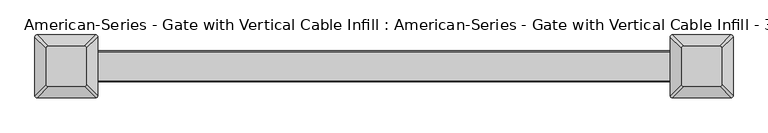
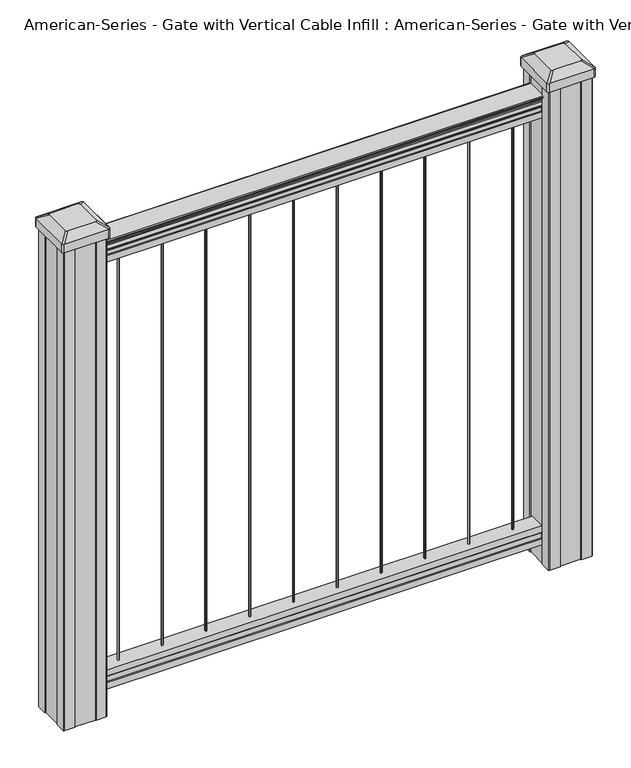
"""IFC4 building model written with IfcOpenShell, lengths in millimetres: proxy geometry."""

from ifc_helpers import new_model, si_unit, point, frame, frame_2d, origin, place, context, project, spatial, polyline, circle_curve, trimmed, segment, composite_curve, outline, extrude, source, transform, mapped, element, save
from ifc_brep_helpers import plane_surface, extruded_surface, advanced_brep


def proxy_3df3838f(model_context):
    return source(origin(), model_context, "Body", "SolidModel", [
        extrude(outline(composite_curve([segment(trimmed(circle_curve(frame_2d((288.925, 0.0)), 1.5875), [point((288.925, 1.5875))], [point((290.5125, 0.0))], False, "CARTESIAN"), True, "CONTINUOUS"), segment(trimmed(circle_curve(frame_2d((288.925, 0.0)), 1.5875), [point((290.5125, 0.0))], [point((288.925, -1.5875))], False, "CARTESIAN"), True, "CONTINUOUS"), segment(trimmed(circle_curve(frame_2d((288.925, 0.0)), 1.5875), [point((288.925, -1.5875))], [point((287.3375, 0.0))], False, "CARTESIAN"), True, "CONTINUOUS"), segment(trimmed(circle_curve(frame_2d((288.925, 0.0)), 1.5875), [point((287.3375, 0.0))], [point((288.925, 1.5875))], False, "CARTESIAN"), True, "CONTINUOUS")], self_intersect=False)), frame((0.0, 0.0, 101.6), z_axis=(0.0, 0.0, 1.0), x_axis=(1.0, 0.0, 0.0)), (0.0, 0.0, 1.0), 812.8),
        extrude(outline(composite_curve([segment(trimmed(circle_curve(frame_2d((206.375, 0.0)), 1.5875), [point((206.375, 1.5875))], [point((207.9625, 0.0))], False, "CARTESIAN"), True, "CONTINUOUS"), segment(trimmed(circle_curve(frame_2d((206.375, 0.0)), 1.5875), [point((207.9625, 0.0))], [point((206.375, -1.5875))], False, "CARTESIAN"), True, "CONTINUOUS"), segment(trimmed(circle_curve(frame_2d((206.375, 0.0)), 1.5875), [point((206.375, -1.5875))], [point((204.7875, 0.0))], False, "CARTESIAN"), True, "CONTINUOUS"), segment(trimmed(circle_curve(frame_2d((206.375, 0.0)), 1.5875), [point((204.7875, 0.0))], [point((206.375, 1.5875))], False, "CARTESIAN"), True, "CONTINUOUS")], self_intersect=False)), frame((0.0, 0.0, 101.6), z_axis=(0.0, 0.0, 1.0), x_axis=(1.0, 0.0, 0.0)), (0.0, 0.0, 1.0), 812.8),
        extrude(outline(composite_curve([segment(trimmed(circle_curve(frame_2d((123.825, 0.0)), 1.5875), [point((123.825, 1.5875))], [point((125.4125, 0.0))], False, "CARTESIAN"), True, "CONTINUOUS"), segment(trimmed(circle_curve(frame_2d((123.825, 0.0)), 1.5875), [point((125.4125, 0.0))], [point((123.825, -1.5875))], False, "CARTESIAN"), True, "CONTINUOUS"), segment(trimmed(circle_curve(frame_2d((123.825, 0.0)), 1.5875), [point((123.825, -1.5875))], [point((122.2375, 0.0))], False, "CARTESIAN"), True, "CONTINUOUS"), segment(trimmed(circle_curve(frame_2d((123.825, 0.0)), 1.5875), [point((122.2375, 0.0))], [point((123.825, 1.5875))], False, "CARTESIAN"), True, "CONTINUOUS")], self_intersect=False)), frame((0.0, 0.0, 101.6), z_axis=(0.0, 0.0, 1.0), x_axis=(1.0, 0.0, 0.0)), (0.0, 0.0, 1.0), 812.8),
        extrude(outline(composite_curve([segment(trimmed(circle_curve(frame_2d((41.275, 0.0)), 1.5875), [point((41.275, 1.5875))], [point((42.8625, 0.0))], False, "CARTESIAN"), True, "CONTINUOUS"), segment(trimmed(circle_curve(frame_2d((41.275, 0.0)), 1.5875), [point((42.8625, 0.0))], [point((41.275, -1.5875))], False, "CARTESIAN"), True, "CONTINUOUS"), segment(trimmed(circle_curve(frame_2d((41.275, 0.0)), 1.5875), [point((41.275, -1.5875))], [point((39.6875, 0.0))], False, "CARTESIAN"), True, "CONTINUOUS"), segment(trimmed(circle_curve(frame_2d((41.275, 0.0)), 1.5875), [point((39.6875, 0.0))], [point((41.275, 1.5875))], False, "CARTESIAN"), True, "CONTINUOUS")], self_intersect=False)), frame((0.0, 0.0, 101.6), z_axis=(0.0, 0.0, 1.0), x_axis=(1.0, 0.0, 0.0)), (0.0, 0.0, 1.0), 812.8),
        extrude(outline(composite_curve([segment(trimmed(circle_curve(frame_2d((-41.275, 0.0)), 1.5875), [point((-41.275, 1.5875))], [point((-39.6875, 0.0))], False, "CARTESIAN"), True, "CONTINUOUS"), segment(trimmed(circle_curve(frame_2d((-41.275, 0.0)), 1.5875), [point((-39.6875, 0.0))], [point((-41.275, -1.5875))], False, "CARTESIAN"), True, "CONTINUOUS"), segment(trimmed(circle_curve(frame_2d((-41.275, 0.0)), 1.5875), [point((-41.275, -1.5875))], [point((-42.8625, 0.0))], False, "CARTESIAN"), True, "CONTINUOUS"), segment(trimmed(circle_curve(frame_2d((-41.275, 0.0)), 1.5875), [point((-42.8625, 0.0))], [point((-41.275, 1.5875))], False, "CARTESIAN"), True, "CONTINUOUS")], self_intersect=False)), frame((0.0, 0.0, 101.6), z_axis=(0.0, 0.0, 1.0), x_axis=(1.0, 0.0, 0.0)), (0.0, 0.0, 1.0), 812.8),
        extrude(outline(composite_curve([segment(trimmed(circle_curve(frame_2d((-123.825, 0.0)), 1.5875), [point((-123.825, 1.5875))], [point((-122.2375, 0.0))], False, "CARTESIAN"), True, "CONTINUOUS"), segment(trimmed(circle_curve(frame_2d((-123.825, 0.0)), 1.5875), [point((-122.2375, 0.0))], [point((-123.825, -1.5875))], False, "CARTESIAN"), True, "CONTINUOUS"), segment(trimmed(circle_curve(frame_2d((-123.825, 0.0)), 1.5875), [point((-123.825, -1.5875))], [point((-125.4125, 0.0))], False, "CARTESIAN"), True, "CONTINUOUS"), segment(trimmed(circle_curve(frame_2d((-123.825, 0.0)), 1.5875), [point((-125.4125, 0.0))], [point((-123.825, 1.5875))], False, "CARTESIAN"), True, "CONTINUOUS")], self_intersect=False)), frame((0.0, 0.0, 101.6), z_axis=(0.0, 0.0, 1.0), x_axis=(1.0, 0.0, 0.0)), (0.0, 0.0, 1.0), 812.8),
        extrude(outline(composite_curve([segment(trimmed(circle_curve(frame_2d((-206.375, 0.0)), 1.5875), [point((-206.375, 1.5875))], [point((-204.7875, 0.0))], False, "CARTESIAN"), True, "CONTINUOUS"), segment(trimmed(circle_curve(frame_2d((-206.375, 0.0)), 1.5875), [point((-204.7875, 0.0))], [point((-206.375, -1.5875))], False, "CARTESIAN"), True, "CONTINUOUS"), segment(trimmed(circle_curve(frame_2d((-206.375, 0.0)), 1.5875), [point((-206.375, -1.5875))], [point((-207.9625, 0.0))], False, "CARTESIAN"), True, "CONTINUOUS"), segment(trimmed(circle_curve(frame_2d((-206.375, 0.0)), 1.5875), [point((-207.9625, 0.0))], [point((-206.375, 1.5875))], False, "CARTESIAN"), True, "CONTINUOUS")], self_intersect=False)), frame((0.0, 0.0, 101.6), z_axis=(0.0, 0.0, 1.0), x_axis=(1.0, 0.0, 0.0)), (0.0, 0.0, 1.0), 812.8),
        extrude(outline(composite_curve([segment(trimmed(circle_curve(frame_2d((-288.925, 0.0)), 1.5875), [point((-288.925, 1.5875))], [point((-287.3375, 0.0))], False, "CARTESIAN"), True, "CONTINUOUS"), segment(trimmed(circle_curve(frame_2d((-288.925, 0.0)), 1.5875), [point((-287.3375, 0.0))], [point((-288.925, -1.5875))], False, "CARTESIAN"), True, "CONTINUOUS"), segment(trimmed(circle_curve(frame_2d((-288.925, 0.0)), 1.5875), [point((-288.925, -1.5875))], [point((-290.5125, 0.0))], False, "CARTESIAN"), True, "CONTINUOUS"), segment(trimmed(circle_curve(frame_2d((-288.925, 0.0)), 1.5875), [point((-290.5125, 0.0))], [point((-288.925, 1.5875))], False, "CARTESIAN"), True, "CONTINUOUS")], self_intersect=False)), frame((0.0, 0.0, 101.6), z_axis=(0.0, 0.0, 1.0), x_axis=(1.0, 0.0, 0.0)), (0.0, 0.0, 1.0), 812.8),
        extrude(outline(composite_curve([segment(trimmed(circle_curve(frame_2d((371.475, 0.0)), 1.5875), [point((371.475, 1.5875))], [point((373.0625, 0.0))], False, "CARTESIAN"), True, "CONTINUOUS"), segment(trimmed(circle_curve(frame_2d((371.475, 0.0)), 1.5875), [point((373.0625, 0.0))], [point((371.475, -1.5875))], False, "CARTESIAN"), True, "CONTINUOUS"), segment(trimmed(circle_curve(frame_2d((371.475, 0.0)), 1.5875), [point((371.475, -1.5875))], [point((369.8875, 0.0))], False, "CARTESIAN"), True, "CONTINUOUS"), segment(trimmed(circle_curve(frame_2d((371.475, 0.0)), 1.5875), [point((369.8875, 0.0))], [point((371.475, 1.5875))], False, "CARTESIAN"), True, "CONTINUOUS")], self_intersect=False)), frame((0.0, 0.0, 101.6), z_axis=(0.0, 0.0, 1.0), x_axis=(1.0, 0.0, 0.0)), (0.0, 0.0, 1.0), 812.8),
        extrude(outline(composite_curve([segment(trimmed(circle_curve(frame_2d((-371.475, 0.0)), 1.5875), [point((-371.475, 1.5875))], [point((-369.8875, 0.0))], False, "CARTESIAN"), True, "CONTINUOUS"), segment(trimmed(circle_curve(frame_2d((-371.475, 0.0)), 1.5875), [point((-369.8875, 0.0))], [point((-371.475, -1.5875))], False, "CARTESIAN"), True, "CONTINUOUS"), segment(trimmed(circle_curve(frame_2d((-371.475, 0.0)), 1.5875), [point((-371.475, -1.5875))], [point((-373.0625, 0.0))], False, "CARTESIAN"), True, "CONTINUOUS"), segment(trimmed(circle_curve(frame_2d((-371.475, 0.0)), 1.5875), [point((-373.0625, 0.0))], [point((-371.475, 1.5875))], False, "CARTESIAN"), True, "CONTINUOUS")], self_intersect=False)), frame((0.0, 0.0, 101.6), z_axis=(0.0, 0.0, 1.0), x_axis=(1.0, 0.0, 0.0)), (0.0, 0.0, 1.0), 812.8),
        extrude(outline(composite_curve([segment(polyline([(938.4043297, 17.4328287), (940.292412, 17.4328287)]), True, "CONTINUOUS"), segment(trimmed(circle_curve(frame_2d((946.0506383, 11.1180755)), 8.545951), [point((940.292412, 17.4328287))], [point((941.8546695, 18.563015))], False, "CARTESIAN"), True, "CONTINUOUS"), segment(trimmed(circle_curve(frame_2d((945.4636577, 11.5551384)), 7.882584), [point((941.8546695, 18.563015))], [point((949.0726458, 18.563015))], False, "CARTESIAN"), True, "CONTINUOUS"), segment(trimmed(circle_curve(frame_2d((951.3112527, 22.0684625)), 4.1592695), [point((949.0726458, 18.563015))], [point((951.5060812, 17.9137586))], True, "CARTESIAN"), True, "CONTINUOUS"), segment(trimmed(circle_curve(frame_2d((951.2508864, 23.3557691)), 5.4479907), [point((951.5060812, 17.9137586))], [point((955.8362083, 20.4137586))], True, "CARTESIAN"), True, "CONTINUOUS"), segment(trimmed(circle_curve(frame_2d((955.833395, 22.1226107)), 1.7088543), [point((955.8362083, 20.4137586))], [point((957.5157972, 21.8231011))], True, "CARTESIAN"), True, "CONTINUOUS"), segment(trimmed(circle_curve(frame_2d((958.6205318, 20.5057106)), 1.7192895), [point((957.5157972, 21.8231011))], [point((958.6205318, 22.2250001))], False, "CARTESIAN"), True, "CONTINUOUS"), segment(polyline([(958.6205318, 22.2250001), (959.9608158, 22.225)]), True, "CONTINUOUS"), segment(trimmed(circle_curve(frame_2d((959.9608158, 20.6715528)), 1.5534472), [point((959.9608158, 22.225))], [point((961.514263, 20.6715528))], False, "CARTESIAN"), True, "CONTINUOUS"), segment(polyline([(961.514263, 20.6715528), (961.514263, -20.6715528)]), True, "CONTINUOUS"), segment(trimmed(circle_curve(frame_2d((959.9608158, -20.6715528)), 1.5534472), [point((961.514263, -20.6715528))], [point((959.9608158, -22.225))], False, "CARTESIAN"), True, "CONTINUOUS"), segment(polyline([(959.9608158, -22.225), (958.6205318, -22.225)]), True, "CONTINUOUS"), segment(trimmed(circle_curve(frame_2d((958.6205318, -20.5057106)), 1.7192895), [point((958.6205318, -22.225))], [point((957.5157972, -21.8231011))], False, "CARTESIAN"), True, "CONTINUOUS"), segment(trimmed(circle_curve(frame_2d((955.833395, -22.1226107)), 1.7088543), [point((957.5157972, -21.8231011))], [point((955.8362083, -20.4137586))], True, "CARTESIAN"), True, "CONTINUOUS"), segment(trimmed(circle_curve(frame_2d((951.2508864, -23.3557691)), 5.4479907), [point((955.8362083, -20.4137586))], [point((951.5060812, -17.9137586))], True, "CARTESIAN"), True, "CONTINUOUS"), segment(trimmed(circle_curve(frame_2d((951.3112527, -22.0684625)), 4.1592695), [point((951.5060812, -17.9137586))], [point((949.0726458, -18.563015))], True, "CARTESIAN"), True, "CONTINUOUS"), segment(trimmed(circle_curve(frame_2d((945.4636577, -11.5551384)), 7.882584), [point((949.0726458, -18.563015))], [point((941.8546695, -18.563015))], False, "CARTESIAN"), True, "CONTINUOUS"), segment(trimmed(circle_curve(frame_2d((946.0506383, -11.1180755)), 8.545951), [point((941.8546695, -18.563015))], [point((940.292412, -17.4328287))], False, "CARTESIAN"), True, "CONTINUOUS"), segment(polyline([(940.292412, -17.4328287), (938.4043297, -17.4328287)]), True, "CONTINUOUS"), segment(trimmed(circle_curve(frame_2d((938.4043297, -16.1459144)), 1.2869144), [point((938.4043297, -17.4328287))], [point((938.4043297, -14.859))], False, "CARTESIAN"), True, "CONTINUOUS"), segment(polyline([(938.4043297, -14.859), (927.9048283, -14.859), (926.8888283, -15.875), (914.4, -15.875), (914.4, 15.875), (926.731013, 15.875), (927.747013, 14.859), (938.4043297, 14.859)]), True, "CONTINUOUS"), segment(trimmed(circle_curve(frame_2d((938.4043297, 16.1459144)), 1.2869144), [point((938.4043297, 14.859))], [point((938.4043297, 17.4328287))], False, "CARTESIAN"), True, "CONTINUOUS")], self_intersect=False)), frame((457.2, 0.0, 0.0), z_axis=(-1.0, 0.0, 0.0), x_axis=(0.0, 0.0, 1.0)), (0.0, 0.0, 1.0), 914.4),
        extrude(outline(polyline([(-15.9124869, 76.0541976), (-14.8964869, 77.3546183), (-14.8964869, 87.7141717), (-15.9124869, 89.0624492), (-15.9124869, 101.5958781), (15.8375131, 101.5958781), (15.8375131, 89.0458024), (14.8215131, 87.6975248), (14.8215131, 77.3858283), (15.8375131, 76.0375508), (15.8375131, 63.5), (-15.9124869, 63.5), (-15.9124869, 76.0541976)])), frame((-457.2, 0.0, 0.0), z_axis=(1.0, 0.0, 0.0), x_axis=(0.0, 1.0, 0.0)), (0.0, 0.0, 1.0), 914.4),
        advanced_brep(
        [(431.403125, 28.971875, 1012.825), (428.228125, 25.796875, 1012.825), (428.228125, -25.796875, 1012.825), (431.403125, -28.971875, 1012.825), (482.996875, -28.971875, 1012.825), (486.171875, -25.796875, 1012.825), (486.171875, 25.796875, 1012.825), (482.996875, 28.971875, 1012.825), (415.13125, 45.24375, 1001.522), (499.26875, 45.24375, 1001.522), (502.44375, 42.06875, 1001.522), (502.44375, -42.06875, 1001.522), (499.26875, -45.24375, 1001.522), (415.13125, -45.24375, 1001.522), (411.95625, -42.06875, 1001.522), (411.95625, 42.06875, 1001.522)],
        [
            (0, 1, circle_curve(frame((431.403125, 25.796875, 1012.825), z_axis=(0.0, 0.0, 1.0), x_axis=(0.0, -1.0, 0.0)), 3.175)),
            (1, 2),
            (2, 3, circle_curve(frame((431.403125, -25.796875, 1012.825), z_axis=(0.0, 0.0, 1.0), x_axis=(0.0, -1.0, 0.0)), 3.175)),
            (3, 4),
            (4, 5, circle_curve(frame((482.996875, -25.796875, 1012.825), z_axis=(0.0, 0.0, 1.0), x_axis=(0.0, -1.0, 0.0)), 3.175)),
            (5, 6),
            (6, 7, circle_curve(frame((482.996875, 25.796875, 1012.825), z_axis=(0.0, 0.0, 1.0), x_axis=(0.0, -1.0, 0.0)), 3.175)),
            (7, 0),
            (8, 9),
            (9, 10, circle_curve(frame((499.26875, 42.06875, 1001.522), z_axis=(0.0, 0.0, -1.0), x_axis=(0.0, -1.0, 0.0)), 3.175)),
            (10, 11),
            (11, 12, circle_curve(frame((499.26875, -42.06875, 1001.522), z_axis=(0.0, 0.0, -1.0), x_axis=(0.0, -1.0, 0.0)), 3.175)),
            (12, 13),
            (13, 14, circle_curve(frame((415.13125, -42.06875, 1001.522), z_axis=(0.0, 0.0, -1.0), x_axis=(0.0, -1.0, 0.0)), 3.175)),
            (14, 15),
            (15, 8, circle_curve(frame((415.13125, 42.06875, 1001.522), z_axis=(0.0, 0.0, -1.0), x_axis=(0.0, -1.0, 0.0)), 3.175)),
            (15, 1),
            (0, 8),
            (14, 2),
            (13, 3),
            (12, 4),
            (11, 5),
            (10, 6),
            (9, 7),
        ],
        [
            plane_surface(frame((457.2, 0.0, 1012.825), z_axis=(0.0, 0.0, 1.0), x_axis=(-1.0, 0.0, 0.0))),
            plane_surface(frame((457.2, 0.0, 1001.522), z_axis=(0.0, 0.0, -1.0), x_axis=(-1.0, 0.0, 0.0))),
            extruded_surface(trimmed(circle_curve(frame((415.13125, 42.06875, 1001.522), z_axis=(0.0, 0.0, 1.0), x_axis=(0.0, -1.0, 0.0)), 3.175), [point((415.13125, 45.24375, 1001.522))], [point((411.95625, 42.06875, 1001.522))], True, "CARTESIAN"), (16.271874999999966, -16.271875, 11.302999999999997), 25.63797263886614),
            plane_surface(frame((411.95625, 0.0, 1001.522), z_axis=(-0.5705009161540779, 0.0, 0.8212969649690408), x_axis=(0.0, -1.0, 0.0))),
            extruded_surface(trimmed(circle_curve(frame((415.13125, -42.06875, 1001.522), z_axis=(0.0, 0.0, 1.0), x_axis=(0.0, -1.0, 0.0)), 3.175), [point((411.95625, -42.06875, 1001.522))], [point((415.13125, -45.24375, 1001.522))], True, "CARTESIAN"), (16.271874999999966, 16.271875, 11.302999999999997), 25.63797263886614),
            plane_surface(frame((457.2, -45.24375, 1001.522), z_axis=(0.0, -0.5705009161540291, 0.8212969649690747), x_axis=(1.0, 0.0, 0.0))),
            extruded_surface(trimmed(circle_curve(frame((499.26875, -42.06875, 1001.522), z_axis=(0.0, 0.0, 1.0), x_axis=(0.0, -1.0, 0.0)), 3.175), [point((499.26875, -45.24375, 1001.522))], [point((502.44375, -42.06875, 1001.522))], True, "CARTESIAN"), (-16.271875000000023, 16.271875, 11.302999999999997), 25.637972638866177),
            plane_surface(frame((502.44375, 0.0, 1001.522), z_axis=(0.5705009161540141, 0.0, 0.8212969649690851), x_axis=(0.0, 1.0, 0.0))),
            extruded_surface(trimmed(circle_curve(frame((499.26875, 42.06875, 1001.522), z_axis=(0.0, 0.0, 1.0), x_axis=(0.0, -1.0, 0.0)), 3.175), [point((502.44375, 42.06875, 1001.522))], [point((499.26875, 45.24375, 1001.522))], True, "CARTESIAN"), (-16.271875000000023, -16.271875, 11.302999999999997), 25.637972638866177),
            plane_surface(frame((457.2, 45.24375, 1001.522), z_axis=(0.0, 0.570500916154034, 0.8212969649690713), x_axis=(-1.0, 0.0, 0.0))),
        ],
        [
            (0, [[1, 2, 3, 4, 5, 6, 7, 8]]),
            (1, [[9, 10, 11, 12, 13, 14, 15, 16]]),
            (2, [[-16, 17, -1, 18]]),
            (3, [[-15, 19, -2, -17]]),
            (4, [[-14, 20, -3, -19]]),
            (5, [[-13, 21, -4, -20]]),
            (6, [[-12, 22, -5, -21]]),
            (7, [[-11, 23, -6, -22]]),
            (8, [[-10, 24, -7, -23]]),
            (9, [[-9, -18, -8, -24]]),
        ],
    ),
        extrude(outline(composite_curve([segment(polyline([(415.13125, 45.24375), (499.26875, 45.24375)]), True, "CONTINUOUS"), segment(trimmed(circle_curve(frame_2d((499.26875, 42.06875)), 3.175), [point((499.26875, 45.24375))], [point((502.44375, 42.06875))], False, "CARTESIAN"), True, "CONTINUOUS"), segment(polyline([(502.44375, 42.06875), (502.44375, -42.06875)]), True, "CONTINUOUS"), segment(trimmed(circle_curve(frame_2d((499.26875, -42.06875)), 3.175), [point((502.44375, -42.06875))], [point((499.26875, -45.24375))], False, "CARTESIAN"), True, "CONTINUOUS"), segment(polyline([(499.26875, -45.24375), (415.13125, -45.24375)]), True, "CONTINUOUS"), segment(trimmed(circle_curve(frame_2d((415.13125, -42.06875)), 3.175), [point((415.13125, -45.24375))], [point((411.95625, -42.06875))], False, "CARTESIAN"), True, "CONTINUOUS"), segment(polyline([(411.95625, -42.06875), (411.95625, 42.06875)]), True, "CONTINUOUS"), segment(trimmed(circle_curve(frame_2d((415.13125, 42.06875)), 3.175), [point((411.95625, 42.06875))], [point((415.13125, 45.24375))], False, "CARTESIAN"), True, "CONTINUOUS")], self_intersect=False)), frame((0.0, 0.0, 984.25), z_axis=(0.0, 0.0, 1.0), x_axis=(1.0, 0.0, 0.0)), (0.0, 0.0, 1.0), 17.272),
        extrude(outline(polyline([(417.5125, 41.275), (437.134, 41.275), (437.896, 39.6875), (476.504, 39.6875), (477.266, 41.275), (496.8875, 41.275), (498.475, 39.6875), (498.475, 20.066), (496.8875, 19.304), (496.8875, -19.304), (498.475, -20.066), (498.475, -39.6875), (496.8875, -41.275), (477.266, -41.275), (476.504, -39.6875), (437.896, -39.6875), (437.134, -41.275), (417.5125, -41.275), (415.925, -39.6875), (415.925, -20.066), (417.5125, -19.304), (417.5125, 19.304), (415.925, 20.066), (415.925, 39.6875), (417.5125, 41.275)])), frame((0.0, 0.0, 28.575), z_axis=(0.0, 0.0, 1.0), x_axis=(1.0, 0.0, 0.0)), (0.0, 0.0, 1.0), 955.675),
        advanced_brep(
        [(-482.996875, 28.971875, 1012.825), (-486.171875, 25.796875, 1012.825), (-486.171875, -25.796875, 1012.825), (-482.996875, -28.971875, 1012.825), (-431.403125, -28.971875, 1012.825), (-428.228125, -25.796875, 1012.825), (-428.228125, 25.796875, 1012.825), (-431.403125, 28.971875, 1012.825), (-499.26875, 45.24375, 1001.522), (-415.13125, 45.24375, 1001.522), (-411.95625, 42.06875, 1001.522), (-411.95625, -42.06875, 1001.522), (-415.13125, -45.24375, 1001.522), (-499.26875, -45.24375, 1001.522), (-502.44375, -42.06875, 1001.522), (-502.44375, 42.06875, 1001.522)],
        [
            (0, 1, circle_curve(frame((-482.996875, 25.796875, 1012.825), z_axis=(0.0, 0.0, 1.0), x_axis=(0.0, -1.0, 0.0)), 3.175)),
            (1, 2),
            (2, 3, circle_curve(frame((-482.996875, -25.796875, 1012.825), z_axis=(0.0, 0.0, 1.0), x_axis=(0.0, -1.0, 0.0)), 3.175)),
            (3, 4),
            (4, 5, circle_curve(frame((-431.403125, -25.796875, 1012.825), z_axis=(0.0, 0.0, 1.0), x_axis=(0.0, -1.0, 0.0)), 3.175)),
            (5, 6),
            (6, 7, circle_curve(frame((-431.403125, 25.796875, 1012.825), z_axis=(0.0, 0.0, 1.0), x_axis=(0.0, -1.0, 0.0)), 3.175)),
            (7, 0),
            (8, 9),
            (9, 10, circle_curve(frame((-415.13125, 42.06875, 1001.522), z_axis=(0.0, 0.0, -1.0), x_axis=(0.0, -1.0, 0.0)), 3.175)),
            (10, 11),
            (11, 12, circle_curve(frame((-415.13125, -42.06875, 1001.522), z_axis=(0.0, 0.0, -1.0), x_axis=(0.0, -1.0, 0.0)), 3.175)),
            (12, 13),
            (13, 14, circle_curve(frame((-499.26875, -42.06875, 1001.522), z_axis=(0.0, 0.0, -1.0), x_axis=(0.0, -1.0, 0.0)), 3.175)),
            (14, 15),
            (15, 8, circle_curve(frame((-499.26875, 42.06875, 1001.522), z_axis=(0.0, 0.0, -1.0), x_axis=(0.0, -1.0, 0.0)), 3.175)),
            (15, 1),
            (0, 8),
            (14, 2),
            (13, 3),
            (12, 4),
            (11, 5),
            (10, 6),
            (9, 7),
        ],
        [
            plane_surface(frame((-457.2, 0.0, 1012.825), z_axis=(0.0, 0.0, 1.0), x_axis=(-1.0, 0.0, 0.0))),
            plane_surface(frame((-457.2, 0.0, 1001.522), z_axis=(0.0, 0.0, -1.0), x_axis=(-1.0, 0.0, 0.0))),
            extruded_surface(trimmed(circle_curve(frame((-499.26875, 42.06875, 1001.522), z_axis=(0.0, 0.0, 1.0), x_axis=(0.0, -1.0, 0.0)), 3.175), [point((-499.26875, 45.24375, 1001.522))], [point((-502.44375, 42.06875, 1001.522))], True, "CARTESIAN"), (16.271875000000023, -16.271875, 11.302999999999997), 25.637972638866177),
            plane_surface(frame((-502.44375, 0.0, 1001.522), z_axis=(-0.5705009161540779, 0.0, 0.8212969649690408), x_axis=(0.0, -1.0, 0.0))),
            extruded_surface(trimmed(circle_curve(frame((-499.26875, -42.06875, 1001.522), z_axis=(0.0, 0.0, 1.0), x_axis=(0.0, -1.0, 0.0)), 3.175), [point((-502.44375, -42.06875, 1001.522))], [point((-499.26875, -45.24375, 1001.522))], True, "CARTESIAN"), (16.271875000000023, 16.271875, 11.302999999999997), 25.637972638866177),
            plane_surface(frame((-457.2, -45.24375, 1001.522), z_axis=(0.0, -0.5705009161540291, 0.8212969649690747), x_axis=(1.0, 0.0, 0.0))),
            extruded_surface(trimmed(circle_curve(frame((-415.13125, -42.06875, 1001.522), z_axis=(0.0, 0.0, 1.0), x_axis=(0.0, -1.0, 0.0)), 3.175), [point((-415.13125, -45.24375, 1001.522))], [point((-411.95625, -42.06875, 1001.522))], True, "CARTESIAN"), (-16.271874999999966, 16.271875, 11.302999999999997), 25.63797263886614),
            plane_surface(frame((-411.95625, 0.0, 1001.522), z_axis=(0.5705009161540141, 0.0, 0.8212969649690851), x_axis=(0.0, 1.0, 0.0))),
            extruded_surface(trimmed(circle_curve(frame((-415.13125, 42.06875, 1001.522), z_axis=(0.0, 0.0, 1.0), x_axis=(0.0, -1.0, 0.0)), 3.175), [point((-411.95625, 42.06875, 1001.522))], [point((-415.13125, 45.24375, 1001.522))], True, "CARTESIAN"), (-16.271874999999966, -16.271875, 11.302999999999997), 25.63797263886614),
            plane_surface(frame((-457.2, 45.24375, 1001.522), z_axis=(0.0, 0.570500916154034, 0.8212969649690713), x_axis=(-1.0, 0.0, 0.0))),
        ],
        [
            (0, [[1, 2, 3, 4, 5, 6, 7, 8]]),
            (1, [[9, 10, 11, 12, 13, 14, 15, 16]]),
            (2, [[-16, 17, -1, 18]]),
            (3, [[-15, 19, -2, -17]]),
            (4, [[-14, 20, -3, -19]]),
            (5, [[-13, 21, -4, -20]]),
            (6, [[-12, 22, -5, -21]]),
            (7, [[-11, 23, -6, -22]]),
            (8, [[-10, 24, -7, -23]]),
            (9, [[-9, -18, -8, -24]]),
        ],
    ),
        extrude(outline(composite_curve([segment(polyline([(-499.26875, 45.24375), (-415.13125, 45.24375)]), True, "CONTINUOUS"), segment(trimmed(circle_curve(frame_2d((-415.13125, 42.06875)), 3.175), [point((-415.13125, 45.24375))], [point((-411.95625, 42.06875))], False, "CARTESIAN"), True, "CONTINUOUS"), segment(polyline([(-411.95625, 42.06875), (-411.95625, -42.06875)]), True, "CONTINUOUS"), segment(trimmed(circle_curve(frame_2d((-415.13125, -42.06875)), 3.175), [point((-411.95625, -42.06875))], [point((-415.13125, -45.24375))], False, "CARTESIAN"), True, "CONTINUOUS"), segment(polyline([(-415.13125, -45.24375), (-499.26875, -45.24375)]), True, "CONTINUOUS"), segment(trimmed(circle_curve(frame_2d((-499.26875, -42.06875)), 3.175), [point((-499.26875, -45.24375))], [point((-502.44375, -42.06875))], False, "CARTESIAN"), True, "CONTINUOUS"), segment(polyline([(-502.44375, -42.06875), (-502.44375, 42.06875)]), True, "CONTINUOUS"), segment(trimmed(circle_curve(frame_2d((-499.26875, 42.06875)), 3.175), [point((-502.44375, 42.06875))], [point((-499.26875, 45.24375))], False, "CARTESIAN"), True, "CONTINUOUS")], self_intersect=False)), frame((0.0, 0.0, 984.25), z_axis=(0.0, 0.0, 1.0), x_axis=(1.0, 0.0, 0.0)), (0.0, 0.0, 1.0), 17.272),
        extrude(outline(polyline([(-496.8875, 41.275), (-477.266, 41.275), (-476.504, 39.6875), (-437.896, 39.6875), (-437.134, 41.275), (-417.5125, 41.275), (-415.925, 39.6875), (-415.925, 20.066), (-417.5125, 19.304), (-417.5125, -19.304), (-415.925, -20.066), (-415.925, -39.6875), (-417.5125, -41.275), (-437.134, -41.275), (-437.896, -39.6875), (-476.504, -39.6875), (-477.266, -41.275), (-496.8875, -41.275), (-498.475, -39.6875), (-498.475, -20.066), (-496.8875, -19.304), (-496.8875, 19.304), (-498.475, 20.066), (-498.475, 39.6875), (-496.8875, 41.275)])), frame((0.0, 0.0, 28.575), z_axis=(0.0, 0.0, 1.0), x_axis=(1.0, 0.0, 0.0)), (0.0, 0.0, 1.0), 955.675),
    ])


if __name__ == "__main__":
    model = new_model("IFC4")
    model_context = context("Model", 3, world=origin())
    ifc_project = project(units=[si_unit("LENGTHUNIT", "METRE", prefix="MILLI")], contexts=[model_context])
    site = spatial("IfcSite", under=ifc_project)
    building = spatial("IfcBuilding", under=site)
    placement = place(None, origin())
    proxy_shape = proxy_3df3838f(model_context)
    element("IfcBuildingElementProxy", 1, Name="American-Series - Gate with Vertical Cable Infill : American-Series - Gate with Vertical Cable Infill - 36\"x36\"", ObjectType="American-Series - Gate with Vertical Cable Infill : American-Series - Gate with Vertical Cable Infill - 36\"x36\"", at=placement, inside=building, context=model_context, shape_type="MappedRepresentation", body=[
        mapped(proxy_shape, transform((0.0, 0.0, 0.0), x_axis=(1.0, 0.0, 0.0), y_axis=(0.0, 1.0, 0.0), z_axis=(0.0, 0.0, 1.0))),
    ])
    save(model, "model.ifc")
